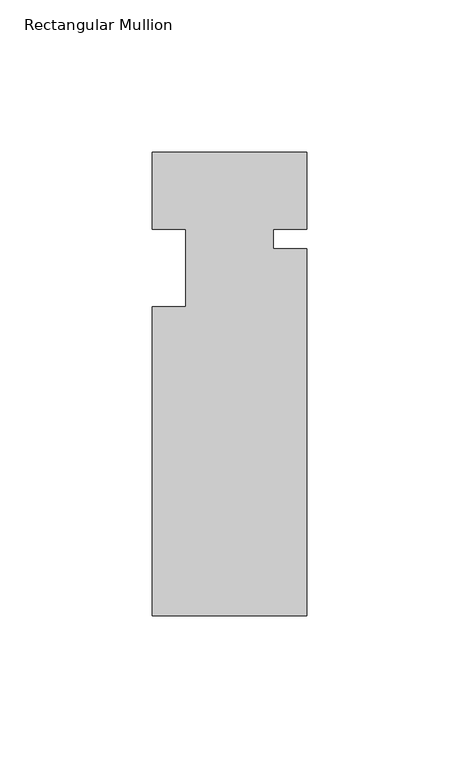
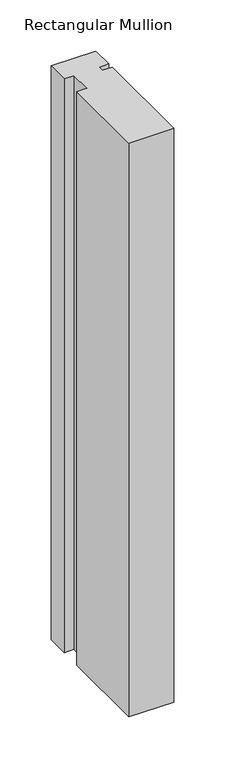
"""IFC4 building model written with IfcOpenShell, lengths in millimetres: member geometry, Rectangular Mullion."""

from ifc_helpers import new_model, si_unit, frame, origin, place, context, project, spatial, polyline, outline, extrude, source, transform, mapped, element, save


def rectangular_mullion_814e7b81(model_context):
    return source(origin(), model_context, "Body", "SweptSolid", [
        extrude(outline(polyline([(-25.4, 0.0), (25.4, 0.0), (25.4, -25.4), (14.398625, -25.4), (14.398625, -31.75), (25.4, -31.75), (25.4, -152.4), (-25.4, -152.4), (-25.4, -50.8), (-14.398625, -50.8), (-14.398625, -25.4), (-25.4, -25.4), (-25.4, 0.0)])), frame((0.0, 0.0, -685.8), z_axis=(0.0, 0.0, 1.0), x_axis=(1.0, 0.0, 0.0)), (0.0, 0.0, 1.0), 685.8),
    ])


if __name__ == "__main__":
    model = new_model("IFC4")
    model_context = context("Model", 3, world=origin())
    ifc_project = project(units=[si_unit("LENGTHUNIT", "METRE", prefix="MILLI")], contexts=[model_context])
    site = spatial("IfcSite", under=ifc_project)
    building = spatial("IfcBuilding", under=site)
    placement = place(None, origin())
    rectangular_mullion_shape = rectangular_mullion_814e7b81(model_context)
    element("IfcMember", 1, ObjectType="Rectangular Mullion", at=placement, inside=building, context=model_context, shape_type="MappedRepresentation", body=[
        mapped(rectangular_mullion_shape, transform((0.0, 0.0, 0.0), x_axis=(1.0, 0.0, 0.0), y_axis=(0.0, 1.0, 0.0), z_axis=(0.0, 0.0, 1.0))),
    ])
    save(model, "model.ifc")
